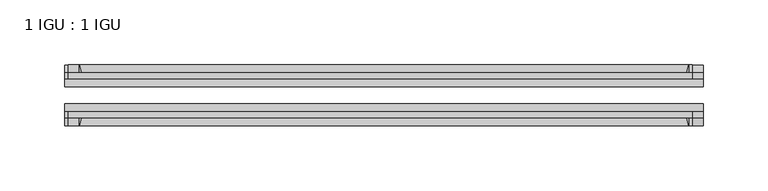
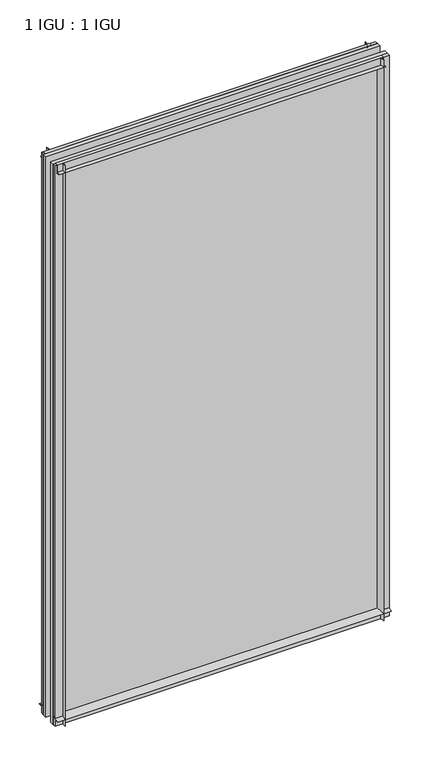
"""IFC4 building model written with IfcOpenShell, lengths in millimetres: plate geometry, 1 IGU : 1 IGU."""

from ifc_helpers import new_model, si_unit, point, frame, frame_2d, origin, place, context, project, spatial, polyline, circle_curve, trimmed, segment, composite_curve, outline, extrude, source, transform, mapped, element, save


def plate_1_igu_1_igu_626b54a8(model_context):
    return source(origin(), model_context, "Body", "SweptSolid", [
        extrude(outline(composite_curve([segment(trimmed(circle_curve(frame_2d((-28.0741797, 32.2797688)), 32.7673262), [point((-44.45, 3.8979053))], [point((-33.7058, 1.48e-05))], True, "CARTESIAN"), True, "CONTINUOUS"), segment(polyline([(-33.7058, 1.48e-05), (-39.6748, 1.48e-05), (-39.6748, -10.31875), (-44.45, -10.31875), (-44.45, 3.8979053)]), True, "CONTINUOUS")], self_intersect=False)), frame((-246.046625, 0.0, 0.0), z_axis=(1.0, 0.0, 0.0), x_axis=(0.0, 1.0, 0.0)), (0.0, 0.0, 1.0), 492.09325),
        extrude(outline(composite_curve([segment(trimmed(circle_curve(frame_2d((-86.2258203, 32.2797602)), 32.7673262), [point((-80.5942354, 0.0))], [point((-69.85, 3.8978967))], True, "CARTESIAN"), True, "CONTINUOUS"), segment(polyline([(-69.85, 3.8978967), (-69.85, -10.31875), (-74.6252, -10.31875), (-74.6252, 0.0), (-80.5942354, 0.0)]), True, "CONTINUOUS")], self_intersect=False)), frame((-246.046625, 0.0, 0.0), z_axis=(1.0, 0.0, 0.0), x_axis=(0.0, 1.0, 0.0)), (0.0, 0.0, 1.0), 492.09325),
        extrude(outline(composite_curve([segment(polyline([(-80.5942, 850.9), (-74.6252, 850.9), (-74.6252, 862.0125), (-69.85, 862.0125), (-69.85, 847.0021095)]), True, "CONTINUOUS"), segment(trimmed(circle_curve(frame_2d((-86.2258203, 818.620246)), 32.7673262), [point((-69.85, 847.0021095))], [point((-80.5942, 850.9))], True, "CARTESIAN"), True, "CONTINUOUS")], self_intersect=False)), frame((-243.4468636, 0.0, 0.0), z_axis=(1.0, 0.0, 0.0), x_axis=(0.0, 1.0, 0.0)), (0.0, 0.0, 1.0), 480.9269501),
        extrude(outline(composite_curve([segment(polyline([(-39.6748, 862.0125), (-39.6748, 850.9), (-33.7058, 850.9)]), True, "CONTINUOUS"), segment(trimmed(circle_curve(frame_2d((-28.0741797, 818.620246)), 32.7673262), [point((-33.7058, 850.9))], [point((-44.45, 847.0021095))], True, "CARTESIAN"), True, "CONTINUOUS"), segment(polyline([(-44.45, 847.0021095), (-44.45, 862.0125), (-39.6748, 862.0125)]), True, "CONTINUOUS")], self_intersect=False)), frame((-243.4468636, 0.0, 0.0), z_axis=(1.0, 0.0, 0.0), x_axis=(0.0, 1.0, 0.0)), (0.0, 0.0, 1.0), 480.9269501),
        extrude(outline(composite_curve([segment(polyline([(246.046625, -39.6748), (246.046625, -44.45), (231.0362345, -44.45)]), True, "CONTINUOUS"), segment(trimmed(circle_curve(frame_2d((202.654371, -28.0741797)), 32.7673262), [point((231.0362345, -44.45))], [point((234.934125, -33.7058))], True, "CARTESIAN"), True, "CONTINUOUS"), segment(polyline([(234.934125, -33.7058), (234.934125, -39.6748), (246.046625, -39.6748)]), True, "CONTINUOUS")], self_intersect=False)), frame((0.0, 0.0, -10.31875), z_axis=(0.0, 0.0, 1.0), x_axis=(1.0, 0.0, 0.0)), (0.0, 0.0, 1.0), 872.33125),
        extrude(outline(composite_curve([segment(polyline([(246.046625, -69.85), (246.046625, -74.6252), (234.934125, -74.6252), (234.934125, -80.5942)]), True, "CONTINUOUS"), segment(trimmed(circle_curve(frame_2d((202.654371, -86.2258203)), 32.7673262), [point((234.934125, -80.5942))], [point((231.0362345, -69.85))], True, "CARTESIAN"), True, "CONTINUOUS"), segment(polyline([(231.0362345, -69.85), (246.046625, -69.85)]), True, "CONTINUOUS")], self_intersect=False)), frame((0.0, 0.0, -10.31875), z_axis=(0.0, 0.0, 1.0), x_axis=(1.0, 0.0, 0.0)), (0.0, 0.0, 1.0), 872.33125),
        extrude(outline(composite_curve([segment(polyline([(-246.046625, -39.6748), (-234.934125, -39.6748), (-234.934125, -33.7058)]), True, "CONTINUOUS"), segment(trimmed(circle_curve(frame_2d((-202.654371, -28.0741797)), 32.7673262), [point((-234.934125, -33.7058))], [point((-231.0362345, -44.45))], True, "CARTESIAN"), True, "CONTINUOUS"), segment(polyline([(-231.0362345, -44.45), (-246.046625, -44.45), (-246.046625, -39.6748)]), True, "CONTINUOUS")], self_intersect=False)), frame((0.0, 0.0, -10.31875), z_axis=(0.0, 0.0, 1.0), x_axis=(1.0, 0.0, 0.0)), (0.0, 0.0, 1.0), 872.33125),
        extrude(outline(composite_curve([segment(polyline([(-246.046625, -74.6252), (-246.046625, -69.85), (-231.0362345, -69.85)]), True, "CONTINUOUS"), segment(trimmed(circle_curve(frame_2d((-202.654371, -86.2258203)), 32.7673262), [point((-231.0362345, -69.85))], [point((-234.934125, -80.5942))], True, "CARTESIAN"), True, "CONTINUOUS"), segment(polyline([(-234.934125, -80.5942), (-234.934125, -74.6252), (-246.046625, -74.6252)]), True, "CONTINUOUS")], self_intersect=False)), frame((0.0, 0.0, -10.31875), z_axis=(0.0, 0.0, 1.0), x_axis=(1.0, 0.0, 0.0)), (0.0, 0.0, 1.0), 872.33125),
        extrude(outline(polyline([(-246.046625, -69.85), (-246.046625, -63.5508), (246.046625, -63.5508), (246.046625, -69.85), (-246.046625, -69.85)])), frame((0.0, 0.0, -10.31875), z_axis=(0.0, 0.0, 1.0), x_axis=(1.0, 0.0, 0.0)), (0.0, 0.0, 1.0), 872.33125),
        extrude(outline(polyline([(246.046625, -50.7492), (-246.046625, -50.7492), (-246.046625, -44.45), (246.046625, -44.45), (246.046625, -50.7492)])), frame((0.0, 0.0, -10.31875), z_axis=(0.0, 0.0, 1.0), x_axis=(1.0, 0.0, 0.0)), (0.0, 0.0, 1.0), 872.33125),
    ])


if __name__ == "__main__":
    model = new_model("IFC4")
    model_context = context("Model", 3, world=origin())
    ifc_project = project(units=[si_unit("LENGTHUNIT", "METRE", prefix="MILLI")], contexts=[model_context])
    site = spatial("IfcSite", under=ifc_project)
    building = spatial("IfcBuilding", under=site)
    placement = place(None, origin())
    plate_1_igu_1_igu_shape = plate_1_igu_1_igu_626b54a8(model_context)
    element("IfcPlate", 1, ObjectType="1 IGU : 1 IGU", at=placement, inside=building, context=model_context, shape_type="MappedRepresentation", body=[
        mapped(plate_1_igu_1_igu_shape, transform((0.0, 0.0, 0.0), x_axis=(1.0, 0.0, 0.0), y_axis=(0.0, 1.0, 0.0), z_axis=(0.0, 0.0, 1.0))),
    ])
    save(model, "model.ifc")
